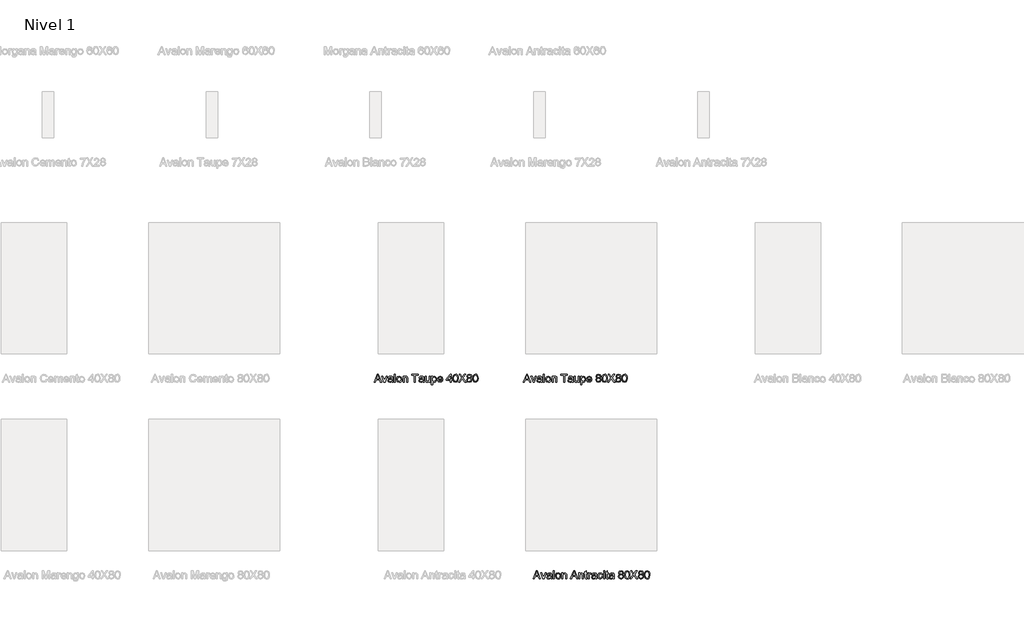
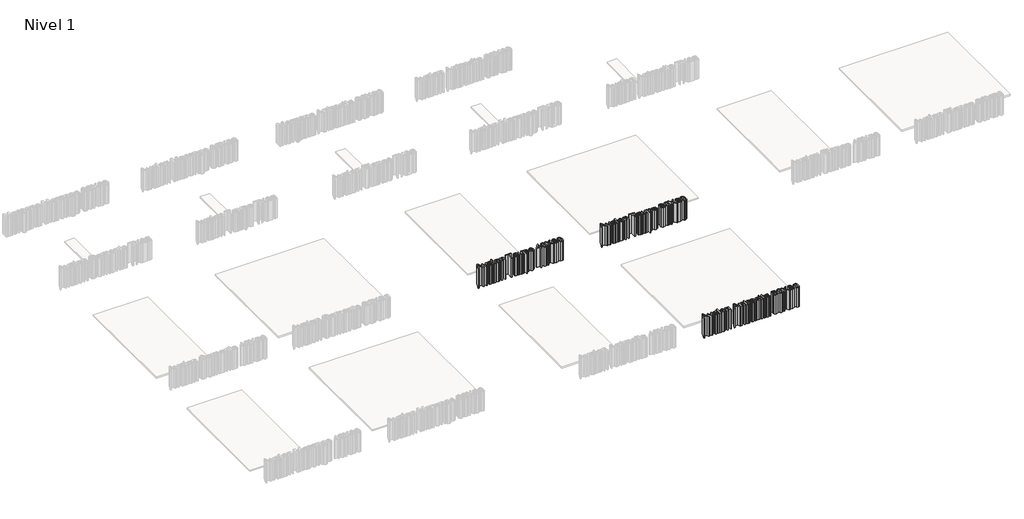
# One storey, part 3 of 11: 3 proxies.
"""IFC4 building model written with IfcOpenShell, lengths in millimetres."""

from ifc_helpers import new_model, si_unit, origin, origin_with_axes, place, context, project, spatial, polyline, outline, extrude, element, save

model = new_model("IFC4")

# Units and contexts
model_context = context("Model", 3, world=origin())
ifc_project = project(units=[si_unit("LENGTHUNIT", "METRE", prefix="MILLI")], contexts=[model_context])

# Site, building, storey
site = spatial("IfcSite", under=ifc_project)
building = spatial("IfcBuilding", under=site)
storey = spatial("IfcBuildingStorey", under=building, Name="Nivel 1", Elevation=0.0)

# Proxies
placement = place(None, origin())
element("IfcBuildingElementProxy", 1, Name="Texto de modelo 1", ObjectType="Texto de modelo 1", at=placement, inside=storey, context=model_context, shape_type="SweptSolid", body=[
    extrude(outline(polyline([(2275.8341766, -4172.9229512), (2295.4856189, -4123.692182), (2300.7260035, -4123.692182), (2320.3774458, -4172.9229512), (2313.875042, -4172.9229512), (2308.2380227, -4157.5383359), (2287.9615804, -4157.5383359), (2282.3365804, -4172.9229512), (2275.8341766, -4172.9229512)]), holes=[polyline([(2290.2211958, -4151.3844897), (2305.9904266, -4151.3844897), (2301.5553304, -4139.2811243), (2298.1058112, -4129.8460282), (2295.0409073, -4138.223432), (2290.2211958, -4151.3844897)])]), origin_with_axes(), (0.0, 0.0, 1.0), 150.0),
    extrude(outline(polyline([(2335.0529266, -4172.9229512), (2322.3365804, -4136.7691051), (2328.8510035, -4136.7691051), (2336.5553304, -4158.4277589), (2338.875042, -4165.7114128), (2341.1466766, -4158.8364128), (2348.8990804, -4136.7691051), (2355.4135035, -4136.7691051), (2342.8534073, -4172.9229512), (2335.0529266, -4172.9229512)])), origin_with_axes(), (0.0, 0.0, 1.0), 150.0),
    extrude(outline(polyline([(2383.875042, -4168.3075666), (2377.9074939, -4172.4782397), (2371.3149458, -4173.692182), (2362.3786477, -4170.7715089), (2359.2596573, -4163.3075666), (2360.437542, -4158.4397782), (2363.5324939, -4154.9061243), (2367.8413881, -4152.8868936), (2373.1659073, -4151.9614128), (2383.8389843, -4149.8460282), (2382.1803304, -4143.9325666), (2375.3774458, -4142.1537205), (2369.1514843, -4143.3376147), (2366.1827343, -4147.5383359), (2360.0288881, -4146.7691051), (2362.6911477, -4140.7594897), (2368.0517246, -4137.2378551), (2376.170715, -4135.9998743), (2383.6286477, -4137.0936243), (2387.8413881, -4139.8400186), (2389.7284073, -4144.0167012), (2390.0288881, -4149.4013166), (2390.0288881, -4157.0575666), (2390.3413881, -4167.7486724), (2391.5673496, -4172.9229512), (2385.4135035, -4172.9229512), (2383.875042, -4168.3075666)]), holes=[polyline([(2383.875042, -4155.9998743), (2373.9471573, -4157.8868936), (2368.6526862, -4158.8844897), (2366.2548496, -4160.5070859), (2365.4135035, -4162.8748743), (2367.2464362, -4166.2042012), (2372.625042, -4167.5383359), (2378.8510035, -4166.0659801), (2382.8654266, -4162.5022782), (2383.8389843, -4157.7426628), (2383.875042, -4155.9998743)])]), origin_with_axes(), (0.0, 0.0, 1.0), 150.0),
    extrude(outline(polyline([(2398.4904266, -4172.9229512), (2398.4904266, -4123.692182), (2404.6442727, -4123.692182), (2404.6442727, -4172.9229512), (2398.4904266, -4172.9229512)])), origin_with_axes(), (0.0, 0.0, 1.0), 150.0),
    extrude(outline(polyline([(2412.3365804, -4154.8460282), (2413.6677102, -4146.1290811), (2417.6610996, -4140.0022782), (2428.5024458, -4135.9998743), (2440.1310516, -4140.8736724), (2444.6442727, -4154.3412205), (2442.6490804, -4165.2907397), (2436.8377823, -4171.4866532), (2428.5024458, -4173.692182), (2416.8017246, -4168.8364128), (2412.3365804, -4154.8460282)]), holes=[polyline([(2418.4904266, -4154.8340089), (2421.3389843, -4164.3712686), (2428.5024458, -4167.5383359), (2435.6418689, -4164.3532397), (2438.4904266, -4154.6417012), (2435.62384, -4145.3207878), (2428.5024458, -4142.1537205), (2421.3389843, -4145.3087686), (2418.4904266, -4154.8340089)])]), origin_with_axes(), (0.0, 0.0, 1.0), 150.0),
    extrude(outline(polyline([(2451.5673496, -4172.9229512), (2451.5673496, -4136.7691051), (2457.7211958, -4136.7691051), (2457.7211958, -4141.817182), (2462.4267246, -4137.4542012), (2468.8510035, -4135.9998743), (2474.6623016, -4137.1717493), (2478.6286477, -4140.2486724), (2480.4735996, -4144.7739128), (2480.7981189, -4150.723432), (2480.7981189, -4172.9229512), (2474.6442727, -4172.9229512), (2474.6442727, -4151.5527589), (2473.9351381, -4146.1080474), (2471.4291285, -4143.2294416), (2467.2043689, -4142.1537205), (2460.5276862, -4144.5695859), (2457.7211958, -4153.7402589), (2457.7211958, -4172.9229512), (2451.5673496, -4172.9229512)])), origin_with_axes(), (0.0, 0.0, 1.0), 150.0),
    extrude(outline(polyline([(2521.5673496, -4172.9229512), (2521.5673496, -4129.8460282), (2505.4135035, -4129.8460282), (2505.4135035, -4123.692182), (2543.875042, -4123.692182), (2543.875042, -4129.8460282), (2527.7211958, -4129.8460282), (2527.7211958, -4172.9229512), (2521.5673496, -4172.9229512)])), origin_with_axes(), (0.0, 0.0, 1.0), 150.0),
    extrude(outline(polyline([(2573.1058112, -4168.3075666), (2567.1382631, -4172.4782397), (2560.545715, -4173.692182), (2551.609417, -4170.7715089), (2548.4904266, -4163.3075666), (2549.6683112, -4158.4397782), (2552.7632631, -4154.9061243), (2557.0721573, -4152.8868936), (2562.3966766, -4151.9614128), (2573.0697535, -4149.8460282), (2571.4110996, -4143.9325666), (2564.608215, -4142.1537205), (2558.3822535, -4143.3376147), (2555.4135035, -4147.5383359), (2549.2596573, -4146.7691051), (2551.921917, -4140.7594897), (2557.2824939, -4137.2378551), (2565.4014843, -4135.9998743), (2572.859417, -4137.0936243), (2577.0721573, -4139.8400186), (2578.9591766, -4144.0167012), (2579.2596573, -4149.4013166), (2579.2596573, -4157.0575666), (2579.5721573, -4167.7486724), (2580.7981189, -4172.9229512), (2574.6442727, -4172.9229512), (2573.1058112, -4168.3075666)]), holes=[polyline([(2573.1058112, -4155.9998743), (2563.1779266, -4157.8868936), (2557.8834554, -4158.8844897), (2555.4856189, -4160.5070859), (2554.6442727, -4162.8748743), (2556.4772054, -4166.2042012), (2561.8558112, -4167.5383359), (2568.0817727, -4166.0659801), (2572.0961958, -4162.5022782), (2573.0697535, -4157.7426628), (2573.1058112, -4155.9998743)])]), origin_with_axes(), (0.0, 0.0, 1.0), 150.0),
    extrude(outline(polyline([(2610.7981189, -4172.9229512), (2610.7981189, -4166.7090089), (2605.9784073, -4171.9463887), (2599.6923496, -4173.692182), (2593.90509, -4172.4662205), (2589.9147054, -4169.3892974), (2588.0817727, -4164.8580474), (2587.7211958, -4159.1368936), (2587.7211958, -4136.7691051), (2593.875042, -4136.7691051), (2593.875042, -4156.2402589), (2594.2476381, -4162.5142974), (2596.6815323, -4166.1981916), (2601.2668689, -4167.5383359), (2606.40509, -4166.1681436), (2609.8005227, -4162.4361724), (2610.7981189, -4155.5792012), (2610.7981189, -4136.7691051), (2616.951965, -4136.7691051), (2616.951965, -4172.9229512), (2610.7981189, -4172.9229512)])), origin_with_axes(), (0.0, 0.0, 1.0), 150.0),
    extrude(outline(polyline([(2625.4135035, -4186.7691051), (2625.4135035, -4136.7691051), (2631.5673496, -4136.7691051), (2631.5673496, -4142.8027589), (2635.8221573, -4137.7005955), (2641.5673496, -4135.9998743), (2649.3678304, -4138.379682), (2654.4639843, -4145.0864128), (2656.1827343, -4154.5695859), (2654.2416285, -4164.5395378), (2648.6046093, -4171.3304032), (2640.8221573, -4173.692182), (2635.46759, -4172.1116532), (2631.5673496, -4168.1152589), (2631.5673496, -4186.7691051), (2625.4135035, -4186.7691051)]), holes=[polyline([(2631.5673496, -4155.1344897), (2634.2296093, -4164.5094897), (2640.6899458, -4167.5383359), (2647.2824939, -4164.4013166), (2650.0288881, -4154.6777589), (2647.3485996, -4145.2787205), (2640.9423496, -4142.1537205), (2634.4098977, -4145.4770378), (2631.5673496, -4155.1344897)])]), origin_with_axes(), (0.0, 0.0, 1.0), 150.0),
    extrude(outline(polyline([(2688.4183112, -4162.1537205), (2694.451965, -4162.9229512), (2688.8089362, -4170.8676628), (2678.2981189, -4173.692182), (2665.5216766, -4168.8183839), (2660.7981189, -4155.1465089), (2665.5697535, -4141.0239128), (2677.9495612, -4135.9998743), (2689.9748016, -4141.0118936), (2694.6442727, -4155.1104512), (2694.608215, -4156.7691051), (2666.951965, -4156.7691051), (2670.4916285, -4164.7618936), (2678.4183112, -4167.5383359), (2684.451965, -4166.2522782), (2688.4183112, -4162.1537205)]), holes=[polyline([(2666.951965, -4150.6152589), (2688.4904266, -4150.6152589), (2686.0264843, -4145.0383359), (2677.9255227, -4142.1537205), (2670.3473977, -4144.4554032), (2666.951965, -4150.6152589)])]), origin_with_axes(), (0.0, 0.0, 1.0), 150.0),
    extrude(outline(polyline([(2738.4904266, -4172.9229512), (2738.4904266, -4161.3844897), (2716.1827343, -4161.3844897), (2716.1827343, -4155.2306436), (2740.0288881, -4124.4614128), (2744.6442727, -4124.4614128), (2744.6442727, -4155.2306436), (2750.7981189, -4155.2306436), (2750.7981189, -4161.3844897), (2744.6442727, -4161.3844897), (2744.6442727, -4172.9229512), (2738.4904266, -4172.9229512)]), holes=[polyline([(2738.4904266, -4155.2306436), (2738.4904266, -4136.2162205), (2723.7548496, -4155.2306436), (2738.4904266, -4155.2306436)])]), origin_with_axes(), (0.0, 0.0, 1.0), 150.0),
    extrude(outline(polyline([(2756.1827343, -4148.7042012), (2757.9916285, -4134.5395378), (2763.3642246, -4126.3724705), (2772.3365804, -4123.692182), (2779.5240804, -4125.2787205), (2784.4880227, -4129.8520378), (2787.3726381, -4137.1356916), (2788.4904266, -4148.7042012), (2786.6995612, -4162.8087686), (2781.3449939, -4170.9938647), (2772.3365804, -4173.692182), (2761.0865804, -4169.004682), (2757.4086958, -4160.6783599), (2756.1827343, -4148.7042012)]), holes=[polyline([(2762.3365804, -4148.692182), (2765.2211958, -4163.9746339), (2772.3365804, -4167.5383359), (2779.451965, -4163.9626147), (2782.3365804, -4148.692182), (2779.5481189, -4133.5840089), (2772.264465, -4129.8460282), (2765.3173496, -4133.1392974), (2762.3365804, -4148.692182)])]), origin_with_axes(), (0.0, 0.0, 1.0), 150.0),
    extrude(outline(polyline([(2790.7981189, -4172.9229512), (2809.7764843, -4146.0960282), (2793.875042, -4123.692182), (2801.2548496, -4123.692182), (2810.2091766, -4136.3003551), (2813.2260035, -4141.2162205), (2816.7596573, -4136.2162205), (2825.6178304, -4123.692182), (2833.1058112, -4123.692182), (2817.2043689, -4146.1681436), (2836.1827343, -4172.9229512), (2828.8029266, -4172.9229512), (2816.1586958, -4155.0864128), (2813.5264843, -4151.3844897), (2810.6298496, -4155.4469897), (2798.2860996, -4172.9229512), (2790.7981189, -4172.9229512)])), origin_with_axes(), (0.0, 0.0, 1.0), 150.0),
    extrude(outline(polyline([(2848.9952343, -4145.8075666), (2843.3882631, -4141.9854512), (2841.5673496, -4136.035932), (2845.5336958, -4127.2498743), (2856.0985996, -4123.692182), (2866.7596573, -4127.3340089), (2870.7981189, -4136.2042012), (2869.0012439, -4142.0034801), (2863.5505227, -4145.8075666), (2870.0949939, -4150.6332878), (2872.3365804, -4158.5960282), (2867.889465, -4169.3412205), (2856.1827343, -4173.692182), (2844.4760035, -4169.3231916), (2840.0288881, -4158.4277589), (2842.3606189, -4150.2787205), (2848.9952343, -4145.8075666)]), holes=[polyline([(2847.7211958, -4136.2162205), (2849.9026862, -4141.0479512), (2856.2548496, -4142.9229512), (2862.4808112, -4141.0599705), (2864.6442727, -4136.4926628), (2862.4086958, -4131.7630955), (2856.1827343, -4129.8460282), (2849.9387439, -4131.7210282), (2847.7211958, -4136.2162205)]), polyline([(2846.1827343, -4158.2114128), (2847.2103785, -4162.8448262), (2850.8461958, -4166.3123743), (2856.2308112, -4167.5383359), (2863.562542, -4164.9602109), (2866.1827343, -4158.4037205), (2863.4784073, -4151.7210282), (2856.0264843, -4149.0767974), (2848.7848977, -4151.6849705), (2846.1827343, -4158.2114128)])]), origin_with_axes(), (0.0, 0.0, 1.0), 150.0),
    extrude(outline(polyline([(2877.7211958, -4148.7042012), (2879.53009, -4134.5395378), (2884.9026862, -4126.3724705), (2893.875042, -4123.692182), (2901.062542, -4125.2787205), (2906.0264843, -4129.8520378), (2908.9110996, -4137.1356916), (2910.0288881, -4148.7042012), (2908.2380227, -4162.8087686), (2902.8834554, -4170.9938647), (2893.875042, -4173.692182), (2882.625042, -4169.004682), (2878.9471573, -4160.6783599), (2877.7211958, -4148.7042012)]), holes=[polyline([(2883.875042, -4148.692182), (2886.7596573, -4163.9746339), (2893.875042, -4167.5383359), (2900.9904266, -4163.9626147), (2903.875042, -4148.692182), (2901.0865804, -4133.5840089), (2893.8029266, -4129.8460282), (2886.8558112, -4133.1392974), (2883.875042, -4148.692182)])]), origin_with_axes(), (0.0, 0.0, 1.0), 150.0),
])
element("IfcBuildingElementProxy", 2, Name="Texto de modelo 1", ObjectType="Texto de modelo 1", at=placement, inside=storey, context=model_context, shape_type="SweptSolid", body=[
    extrude(outline(polyline([(3185.8341766, -4172.9229512), (3205.4856189, -4123.692182), (3210.7260035, -4123.692182), (3230.3774458, -4172.9229512), (3223.875042, -4172.9229512), (3218.2380227, -4157.5383359), (3197.9615804, -4157.5383359), (3192.3365804, -4172.9229512), (3185.8341766, -4172.9229512)]), holes=[polyline([(3200.2211958, -4151.3844897), (3215.9904266, -4151.3844897), (3211.5553304, -4139.2811243), (3208.1058112, -4129.8460282), (3205.0409073, -4138.223432), (3200.2211958, -4151.3844897)])]), origin_with_axes(), (0.0, 0.0, 1.0), 150.0),
    extrude(outline(polyline([(3245.0529266, -4172.9229512), (3232.3365804, -4136.7691051), (3238.8510035, -4136.7691051), (3246.5553304, -4158.4277589), (3248.875042, -4165.7114128), (3251.1466766, -4158.8364128), (3258.8990804, -4136.7691051), (3265.4135035, -4136.7691051), (3252.8534073, -4172.9229512), (3245.0529266, -4172.9229512)])), origin_with_axes(), (0.0, 0.0, 1.0), 150.0),
    extrude(outline(polyline([(3293.875042, -4168.3075666), (3287.9074939, -4172.4782397), (3281.3149458, -4173.692182), (3272.3786477, -4170.7715089), (3269.2596573, -4163.3075666), (3270.437542, -4158.4397782), (3273.5324939, -4154.9061243), (3277.8413881, -4152.8868936), (3283.1659073, -4151.9614128), (3293.8389843, -4149.8460282), (3292.1803304, -4143.9325666), (3285.3774458, -4142.1537205), (3279.1514843, -4143.3376147), (3276.1827343, -4147.5383359), (3270.0288881, -4146.7691051), (3272.6911477, -4140.7594897), (3278.0517246, -4137.2378551), (3286.170715, -4135.9998743), (3293.6286477, -4137.0936243), (3297.8413881, -4139.8400186), (3299.7284073, -4144.0167012), (3300.0288881, -4149.4013166), (3300.0288881, -4157.0575666), (3300.3413881, -4167.7486724), (3301.5673496, -4172.9229512), (3295.4135035, -4172.9229512), (3293.875042, -4168.3075666)]), holes=[polyline([(3293.875042, -4155.9998743), (3283.9471573, -4157.8868936), (3278.6526862, -4158.8844897), (3276.2548496, -4160.5070859), (3275.4135035, -4162.8748743), (3277.2464362, -4166.2042012), (3282.625042, -4167.5383359), (3288.8510035, -4166.0659801), (3292.8654266, -4162.5022782), (3293.8389843, -4157.7426628), (3293.875042, -4155.9998743)])]), origin_with_axes(), (0.0, 0.0, 1.0), 150.0),
    extrude(outline(polyline([(3308.4904266, -4172.9229512), (3308.4904266, -4123.692182), (3314.6442727, -4123.692182), (3314.6442727, -4172.9229512), (3308.4904266, -4172.9229512)])), origin_with_axes(), (0.0, 0.0, 1.0), 150.0),
    extrude(outline(polyline([(3322.3365804, -4154.8460282), (3323.6677102, -4146.1290811), (3327.6610996, -4140.0022782), (3338.5024458, -4135.9998743), (3350.1310516, -4140.8736724), (3354.6442727, -4154.3412205), (3352.6490804, -4165.2907397), (3346.8377823, -4171.4866532), (3338.5024458, -4173.692182), (3326.8017246, -4168.8364128), (3322.3365804, -4154.8460282)]), holes=[polyline([(3328.4904266, -4154.8340089), (3331.3389843, -4164.3712686), (3338.5024458, -4167.5383359), (3345.6418689, -4164.3532397), (3348.4904266, -4154.6417012), (3345.62384, -4145.3207878), (3338.5024458, -4142.1537205), (3331.3389843, -4145.3087686), (3328.4904266, -4154.8340089)])]), origin_with_axes(), (0.0, 0.0, 1.0), 150.0),
    extrude(outline(polyline([(3361.5673496, -4172.9229512), (3361.5673496, -4136.7691051), (3367.7211958, -4136.7691051), (3367.7211958, -4141.817182), (3372.4267246, -4137.4542012), (3378.8510035, -4135.9998743), (3384.6623016, -4137.1717493), (3388.6286477, -4140.2486724), (3390.4735996, -4144.7739128), (3390.7981189, -4150.723432), (3390.7981189, -4172.9229512), (3384.6442727, -4172.9229512), (3384.6442727, -4151.5527589), (3383.9351381, -4146.1080474), (3381.4291285, -4143.2294416), (3377.2043689, -4142.1537205), (3370.5276862, -4144.5695859), (3367.7211958, -4153.7402589), (3367.7211958, -4172.9229512), (3361.5673496, -4172.9229512)])), origin_with_axes(), (0.0, 0.0, 1.0), 150.0),
    extrude(outline(polyline([(3431.5673496, -4172.9229512), (3431.5673496, -4129.8460282), (3415.4135035, -4129.8460282), (3415.4135035, -4123.692182), (3453.875042, -4123.692182), (3453.875042, -4129.8460282), (3437.7211958, -4129.8460282), (3437.7211958, -4172.9229512), (3431.5673496, -4172.9229512)])), origin_with_axes(), (0.0, 0.0, 1.0), 150.0),
    extrude(outline(polyline([(3483.1058112, -4168.3075666), (3477.1382631, -4172.4782397), (3470.545715, -4173.692182), (3461.609417, -4170.7715089), (3458.4904266, -4163.3075666), (3459.6683112, -4158.4397782), (3462.7632631, -4154.9061243), (3467.0721573, -4152.8868936), (3472.3966766, -4151.9614128), (3483.0697535, -4149.8460282), (3481.4110996, -4143.9325666), (3474.608215, -4142.1537205), (3468.3822535, -4143.3376147), (3465.4135035, -4147.5383359), (3459.2596573, -4146.7691051), (3461.921917, -4140.7594897), (3467.2824939, -4137.2378551), (3475.4014843, -4135.9998743), (3482.859417, -4137.0936243), (3487.0721573, -4139.8400186), (3488.9591766, -4144.0167012), (3489.2596573, -4149.4013166), (3489.2596573, -4157.0575666), (3489.5721573, -4167.7486724), (3490.7981189, -4172.9229512), (3484.6442727, -4172.9229512), (3483.1058112, -4168.3075666)]), holes=[polyline([(3483.1058112, -4155.9998743), (3473.1779266, -4157.8868936), (3467.8834554, -4158.8844897), (3465.4856189, -4160.5070859), (3464.6442727, -4162.8748743), (3466.4772054, -4166.2042012), (3471.8558112, -4167.5383359), (3478.0817727, -4166.0659801), (3482.0961958, -4162.5022782), (3483.0697535, -4157.7426628), (3483.1058112, -4155.9998743)])]), origin_with_axes(), (0.0, 0.0, 1.0), 150.0),
    extrude(outline(polyline([(3520.7981189, -4172.9229512), (3520.7981189, -4166.7090089), (3515.9784073, -4171.9463887), (3509.6923496, -4173.692182), (3503.90509, -4172.4662205), (3499.9147054, -4169.3892974), (3498.0817727, -4164.8580474), (3497.7211958, -4159.1368936), (3497.7211958, -4136.7691051), (3503.875042, -4136.7691051), (3503.875042, -4156.2402589), (3504.2476381, -4162.5142974), (3506.6815323, -4166.1981916), (3511.2668689, -4167.5383359), (3516.40509, -4166.1681436), (3519.8005227, -4162.4361724), (3520.7981189, -4155.5792012), (3520.7981189, -4136.7691051), (3526.951965, -4136.7691051), (3526.951965, -4172.9229512), (3520.7981189, -4172.9229512)])), origin_with_axes(), (0.0, 0.0, 1.0), 150.0),
    extrude(outline(polyline([(3535.4135035, -4186.7691051), (3535.4135035, -4136.7691051), (3541.5673496, -4136.7691051), (3541.5673496, -4142.8027589), (3545.8221573, -4137.7005955), (3551.5673496, -4135.9998743), (3559.3678304, -4138.379682), (3564.4639843, -4145.0864128), (3566.1827343, -4154.5695859), (3564.2416285, -4164.5395378), (3558.6046093, -4171.3304032), (3550.8221573, -4173.692182), (3545.46759, -4172.1116532), (3541.5673496, -4168.1152589), (3541.5673496, -4186.7691051), (3535.4135035, -4186.7691051)]), holes=[polyline([(3541.5673496, -4155.1344897), (3544.2296093, -4164.5094897), (3550.6899458, -4167.5383359), (3557.2824939, -4164.4013166), (3560.0288881, -4154.6777589), (3557.3485996, -4145.2787205), (3550.9423496, -4142.1537205), (3544.4098977, -4145.4770378), (3541.5673496, -4155.1344897)])]), origin_with_axes(), (0.0, 0.0, 1.0), 150.0),
    extrude(outline(polyline([(3598.4183112, -4162.1537205), (3604.451965, -4162.9229512), (3598.8089362, -4170.8676628), (3588.2981189, -4173.692182), (3575.5216766, -4168.8183839), (3570.7981189, -4155.1465089), (3575.5697535, -4141.0239128), (3587.9495612, -4135.9998743), (3599.9748016, -4141.0118936), (3604.6442727, -4155.1104512), (3604.608215, -4156.7691051), (3576.951965, -4156.7691051), (3580.4916285, -4164.7618936), (3588.4183112, -4167.5383359), (3594.451965, -4166.2522782), (3598.4183112, -4162.1537205)]), holes=[polyline([(3576.951965, -4150.6152589), (3598.4904266, -4150.6152589), (3596.0264843, -4145.0383359), (3587.9255227, -4142.1537205), (3580.3473977, -4144.4554032), (3576.951965, -4150.6152589)])]), origin_with_axes(), (0.0, 0.0, 1.0), 150.0),
    extrude(outline(polyline([(3637.4567727, -4145.8075666), (3631.8498016, -4141.9854512), (3630.0288881, -4136.035932), (3633.9952343, -4127.2498743), (3644.5601381, -4123.692182), (3655.2211958, -4127.3340089), (3659.2596573, -4136.2042012), (3657.4627823, -4142.0034801), (3652.0120612, -4145.8075666), (3658.5565323, -4150.6332878), (3660.7981189, -4158.5960282), (3656.3510035, -4169.3412205), (3644.6442727, -4173.692182), (3632.937542, -4169.3231916), (3628.4904266, -4158.4277589), (3630.8221573, -4150.2787205), (3637.4567727, -4145.8075666)]), holes=[polyline([(3636.1827343, -4136.2162205), (3638.3642246, -4141.0479512), (3644.7163881, -4142.9229512), (3650.9423496, -4141.0599705), (3653.1058112, -4136.4926628), (3650.8702343, -4131.7630955), (3644.6442727, -4129.8460282), (3638.4002823, -4131.7210282), (3636.1827343, -4136.2162205)]), polyline([(3634.6442727, -4158.2114128), (3635.671917, -4162.8448262), (3639.3077343, -4166.3123743), (3644.6923496, -4167.5383359), (3652.0240804, -4164.9602109), (3654.6442727, -4158.4037205), (3651.9399458, -4151.7210282), (3644.4880227, -4149.0767974), (3637.2464362, -4151.6849705), (3634.6442727, -4158.2114128)])]), origin_with_axes(), (0.0, 0.0, 1.0), 150.0),
    extrude(outline(polyline([(3666.1827343, -4148.7042012), (3667.9916285, -4134.5395378), (3673.3642246, -4126.3724705), (3682.3365804, -4123.692182), (3689.5240804, -4125.2787205), (3694.4880227, -4129.8520378), (3697.3726381, -4137.1356916), (3698.4904266, -4148.7042012), (3696.6995612, -4162.8087686), (3691.3449939, -4170.9938647), (3682.3365804, -4173.692182), (3671.0865804, -4169.004682), (3667.4086958, -4160.6783599), (3666.1827343, -4148.7042012)]), holes=[polyline([(3672.3365804, -4148.692182), (3675.2211958, -4163.9746339), (3682.3365804, -4167.5383359), (3689.451965, -4163.9626147), (3692.3365804, -4148.692182), (3689.5481189, -4133.5840089), (3682.264465, -4129.8460282), (3675.3173496, -4133.1392974), (3672.3365804, -4148.692182)])]), origin_with_axes(), (0.0, 0.0, 1.0), 150.0),
    extrude(outline(polyline([(3700.7981189, -4172.9229512), (3719.7764843, -4146.0960282), (3703.875042, -4123.692182), (3711.2548496, -4123.692182), (3720.2091766, -4136.3003551), (3723.2260035, -4141.2162205), (3726.7596573, -4136.2162205), (3735.6178304, -4123.692182), (3743.1058112, -4123.692182), (3727.2043689, -4146.1681436), (3746.1827343, -4172.9229512), (3738.8029266, -4172.9229512), (3726.1586958, -4155.0864128), (3723.5264843, -4151.3844897), (3720.6298496, -4155.4469897), (3708.2860996, -4172.9229512), (3700.7981189, -4172.9229512)])), origin_with_axes(), (0.0, 0.0, 1.0), 150.0),
    extrude(outline(polyline([(3758.9952343, -4145.8075666), (3753.3882631, -4141.9854512), (3751.5673496, -4136.035932), (3755.5336958, -4127.2498743), (3766.0985996, -4123.692182), (3776.7596573, -4127.3340089), (3780.7981189, -4136.2042012), (3779.0012439, -4142.0034801), (3773.5505227, -4145.8075666), (3780.0949939, -4150.6332878), (3782.3365804, -4158.5960282), (3777.889465, -4169.3412205), (3766.1827343, -4173.692182), (3754.4760035, -4169.3231916), (3750.0288881, -4158.4277589), (3752.3606189, -4150.2787205), (3758.9952343, -4145.8075666)]), holes=[polyline([(3756.1827343, -4158.2114128), (3757.2103785, -4162.8448262), (3760.8461958, -4166.3123743), (3766.2308112, -4167.5383359), (3773.562542, -4164.9602109), (3776.1827343, -4158.4037205), (3773.4784073, -4151.7210282), (3766.0264843, -4149.0767974), (3758.7848977, -4151.6849705), (3756.1827343, -4158.2114128)]), polyline([(3757.7211958, -4136.2162205), (3759.9026862, -4141.0479512), (3766.2548496, -4142.9229512), (3772.4808112, -4141.0599705), (3774.6442727, -4136.4926628), (3772.4086958, -4131.7630955), (3766.1827343, -4129.8460282), (3759.9387439, -4131.7210282), (3757.7211958, -4136.2162205)])]), origin_with_axes(), (0.0, 0.0, 1.0), 150.0),
    extrude(outline(polyline([(3787.7211958, -4148.7042012), (3789.53009, -4134.5395378), (3794.9026862, -4126.3724705), (3803.875042, -4123.692182), (3811.062542, -4125.2787205), (3816.0264843, -4129.8520378), (3818.9110996, -4137.1356916), (3820.0288881, -4148.7042012), (3818.2380227, -4162.8087686), (3812.8834554, -4170.9938647), (3803.875042, -4173.692182), (3792.625042, -4169.004682), (3788.9471573, -4160.6783599), (3787.7211958, -4148.7042012)]), holes=[polyline([(3793.875042, -4148.692182), (3796.7596573, -4163.9746339), (3803.875042, -4167.5383359), (3810.9904266, -4163.9626147), (3813.875042, -4148.692182), (3811.0865804, -4133.5840089), (3803.8029266, -4129.8460282), (3796.8558112, -4133.1392974), (3793.875042, -4148.692182)])]), origin_with_axes(), (0.0, 0.0, 1.0), 150.0),
])
element("IfcBuildingElementProxy", 3, Name="Texto de modelo 1", ObjectType="Texto de modelo 1", at=placement, inside=storey, context=model_context, shape_type="SweptSolid", body=[
    extrude(outline(polyline([(3245.8341766, -5372.9229512), (3265.4856189, -5323.692182), (3270.7260035, -5323.692182), (3290.3774458, -5372.9229512), (3283.875042, -5372.9229512), (3278.2380227, -5357.5383359), (3257.9615804, -5357.5383359), (3252.3365804, -5372.9229512), (3245.8341766, -5372.9229512)]), holes=[polyline([(3260.2211958, -5351.3844897), (3275.9904266, -5351.3844897), (3271.5553304, -5339.2811243), (3268.1058112, -5329.8460282), (3265.0409073, -5338.223432), (3260.2211958, -5351.3844897)])]), origin_with_axes(), (0.0, 0.0, 1.0), 150.0),
    extrude(outline(polyline([(3305.0529266, -5372.9229512), (3292.3365804, -5336.7691051), (3298.8510035, -5336.7691051), (3306.5553304, -5358.4277589), (3308.875042, -5365.7114128), (3311.1466766, -5358.8364128), (3318.8990804, -5336.7691051), (3325.4135035, -5336.7691051), (3312.8534073, -5372.9229512), (3305.0529266, -5372.9229512)])), origin_with_axes(), (0.0, 0.0, 1.0), 150.0),
    extrude(outline(polyline([(3353.875042, -5368.3075666), (3347.9074939, -5372.4782397), (3341.3149458, -5373.692182), (3332.3786477, -5370.7715089), (3329.2596573, -5363.3075666), (3330.437542, -5358.4397782), (3333.5324939, -5354.9061243), (3337.8413881, -5352.8868936), (3343.1659073, -5351.9614128), (3353.8389843, -5349.8460282), (3352.1803304, -5343.9325666), (3345.3774458, -5342.1537205), (3339.1514843, -5343.3376147), (3336.1827343, -5347.5383359), (3330.0288881, -5346.7691051), (3332.6911477, -5340.7594897), (3338.0517246, -5337.2378551), (3346.170715, -5335.9998743), (3353.6286477, -5337.0936243), (3357.8413881, -5339.8400186), (3359.7284073, -5344.0167012), (3360.0288881, -5349.4013166), (3360.0288881, -5357.0575666), (3360.3413881, -5367.7486724), (3361.5673496, -5372.9229512), (3355.4135035, -5372.9229512), (3353.875042, -5368.3075666)]), holes=[polyline([(3353.875042, -5355.9998743), (3343.9471573, -5357.8868936), (3338.6526862, -5358.8844897), (3336.2548496, -5360.5070859), (3335.4135035, -5362.8748743), (3337.2464362, -5366.2042012), (3342.625042, -5367.5383359), (3348.8510035, -5366.0659801), (3352.8654266, -5362.5022782), (3353.8389843, -5357.7426628), (3353.875042, -5355.9998743)])]), origin_with_axes(), (0.0, 0.0, 1.0), 150.0),
    extrude(outline(polyline([(3368.4904266, -5372.9229512), (3368.4904266, -5323.692182), (3374.6442727, -5323.692182), (3374.6442727, -5372.9229512), (3368.4904266, -5372.9229512)])), origin_with_axes(), (0.0, 0.0, 1.0), 150.0),
    extrude(outline(polyline([(3382.3365804, -5354.8460282), (3383.6677102, -5346.1290811), (3387.6610996, -5340.0022782), (3398.5024458, -5335.9998743), (3410.1310516, -5340.8736724), (3414.6442727, -5354.3412205), (3412.6490804, -5365.2907397), (3406.8377823, -5371.4866532), (3398.5024458, -5373.692182), (3386.8017246, -5368.8364128), (3382.3365804, -5354.8460282)]), holes=[polyline([(3388.4904266, -5354.8340089), (3391.3389843, -5364.3712686), (3398.5024458, -5367.5383359), (3405.6418689, -5364.3532397), (3408.4904266, -5354.6417012), (3405.62384, -5345.3207878), (3398.5024458, -5342.1537205), (3391.3389843, -5345.3087686), (3388.4904266, -5354.8340089)])]), origin_with_axes(), (0.0, 0.0, 1.0), 150.0),
    extrude(outline(polyline([(3421.5673496, -5372.9229512), (3421.5673496, -5336.7691051), (3427.7211958, -5336.7691051), (3427.7211958, -5341.817182), (3432.4267246, -5337.4542012), (3438.8510035, -5335.9998743), (3444.6623016, -5337.1717493), (3448.6286477, -5340.2486724), (3450.4735996, -5344.7739128), (3450.7981189, -5350.723432), (3450.7981189, -5372.9229512), (3444.6442727, -5372.9229512), (3444.6442727, -5351.5527589), (3443.9351381, -5346.1080474), (3441.4291285, -5343.2294416), (3437.2043689, -5342.1537205), (3430.5276862, -5344.5695859), (3427.7211958, -5353.7402589), (3427.7211958, -5372.9229512), (3421.5673496, -5372.9229512)])), origin_with_axes(), (0.0, 0.0, 1.0), 150.0),
    extrude(outline(polyline([(3473.5264843, -5372.9229512), (3493.1779266, -5323.692182), (3498.4183112, -5323.692182), (3518.0697535, -5372.9229512), (3511.5673496, -5372.9229512), (3505.9303304, -5357.5383359), (3485.6538881, -5357.5383359), (3480.0288881, -5372.9229512), (3473.5264843, -5372.9229512)]), holes=[polyline([(3487.9135035, -5351.3844897), (3503.6827343, -5351.3844897), (3499.2476381, -5339.2811243), (3495.7981189, -5329.8460282), (3492.733215, -5338.223432), (3487.9135035, -5351.3844897)])]), origin_with_axes(), (0.0, 0.0, 1.0), 150.0),
    extrude(outline(polyline([(3523.875042, -5372.9229512), (3523.875042, -5336.7691051), (3530.0288881, -5336.7691051), (3530.0288881, -5341.817182), (3534.734417, -5337.4542012), (3541.1586958, -5335.9998743), (3546.9699939, -5337.1717493), (3550.93634, -5340.2486724), (3552.781292, -5344.7739128), (3553.1058112, -5350.723432), (3553.1058112, -5372.9229512), (3546.951965, -5372.9229512), (3546.951965, -5351.5527589), (3546.2428304, -5346.1080474), (3543.7368208, -5343.2294416), (3539.5120612, -5342.1537205), (3532.8353785, -5344.5695859), (3530.0288881, -5353.7402589), (3530.0288881, -5372.9229512), (3523.875042, -5372.9229512)])), origin_with_axes(), (0.0, 0.0, 1.0), 150.0),
    extrude(outline(polyline([(3574.6442727, -5367.7907397), (3575.4135035, -5373.1032397), (3570.8101381, -5373.692182), (3565.6538881, -5372.6705474), (3563.0817727, -5369.9902589), (3562.3365804, -5363.0070859), (3562.3365804, -5342.9229512), (3557.7211958, -5342.9229512), (3557.7211958, -5336.7691051), (3562.3365804, -5336.7691051), (3562.3365804, -5327.9830474), (3568.4904266, -5324.3652589), (3568.4904266, -5336.7691051), (3574.6442727, -5336.7691051), (3574.6442727, -5342.9229512), (3568.4904266, -5342.9229512), (3568.4904266, -5362.8267974), (3568.8149458, -5365.9998743), (3571.9639843, -5367.5383359), (3574.6442727, -5367.7907397)])), origin_with_axes(), (0.0, 0.0, 1.0), 150.0),
    extrude(outline(polyline([(3580.7981189, -5372.9229512), (3580.7981189, -5336.7691051), (3586.1827343, -5336.7691051), (3586.1827343, -5342.1176628), (3590.0048496, -5337.1897782), (3593.8510035, -5335.9998743), (3600.0288881, -5337.8989128), (3597.9735996, -5343.4157397), (3593.6466766, -5342.1537205), (3590.1671093, -5343.3676628), (3587.9495612, -5346.7330474), (3586.951965, -5353.9205474), (3586.951965, -5372.9229512), (3580.7981189, -5372.9229512)])), origin_with_axes(), (0.0, 0.0, 1.0), 150.0),
    extrude(outline(polyline([(3626.951965, -5368.3075666), (3620.984417, -5372.4782397), (3614.3918689, -5373.692182), (3605.4555708, -5370.7715089), (3602.3365804, -5363.3075666), (3603.514465, -5358.4397782), (3606.609417, -5354.9061243), (3610.9183112, -5352.8868936), (3616.2428304, -5351.9614128), (3626.9159073, -5349.8460282), (3625.2572535, -5343.9325666), (3618.4543689, -5342.1537205), (3612.2284073, -5343.3376147), (3609.2596573, -5347.5383359), (3603.1058112, -5346.7691051), (3605.7680708, -5340.7594897), (3611.1286477, -5337.2378551), (3619.2476381, -5335.9998743), (3626.7055708, -5337.0936243), (3630.9183112, -5339.8400186), (3632.8053304, -5344.0167012), (3633.1058112, -5349.4013166), (3633.1058112, -5357.0575666), (3633.4183112, -5367.7486724), (3634.6442727, -5372.9229512), (3628.4904266, -5372.9229512), (3626.951965, -5368.3075666)]), holes=[polyline([(3626.951965, -5355.9998743), (3617.0240804, -5357.8868936), (3611.7296093, -5358.8844897), (3609.3317727, -5360.5070859), (3608.4904266, -5362.8748743), (3610.3233593, -5366.2042012), (3615.701965, -5367.5383359), (3621.9279266, -5366.0659801), (3625.9423496, -5362.5022782), (3626.9159073, -5357.7426628), (3626.951965, -5355.9998743)])]), origin_with_axes(), (0.0, 0.0, 1.0), 150.0),
    extrude(outline(polyline([(3664.6442727, -5359.8460282), (3670.7981189, -5360.6152589), (3665.858215, -5370.2246339), (3656.0985996, -5373.692182), (3644.4339362, -5368.8544416), (3640.0288881, -5354.9782397), (3641.9098977, -5344.7558839), (3647.6430708, -5338.1873743), (3656.014465, -5335.9998743), (3665.3714362, -5339.004682), (3670.0288881, -5347.5383359), (3663.875042, -5348.3075666), (3661.0204746, -5343.6981916), (3656.062542, -5342.1537205), (3648.9291285, -5345.1945859), (3646.1827343, -5354.8099705), (3648.8690323, -5364.5154993), (3655.8942727, -5367.5383359), (3661.6935516, -5365.6513166), (3664.6442727, -5359.8460282)])), origin_with_axes(), (0.0, 0.0, 1.0), 150.0),
    extrude(outline(polyline([(3676.1827343, -5372.9229512), (3676.1827343, -5336.7691051), (3682.3365804, -5336.7691051), (3682.3365804, -5372.9229512), (3676.1827343, -5372.9229512)])), origin_with_axes(), (0.0, 0.0, 1.0), 150.0),
    extrude(outline(polyline([(3676.1827343, -5329.8460282), (3676.1827343, -5323.692182), (3682.3365804, -5323.692182), (3682.3365804, -5329.8460282), (3676.1827343, -5329.8460282)])), origin_with_axes(), (0.0, 0.0, 1.0), 150.0),
    extrude(outline(polyline([(3704.6442727, -5367.7907397), (3705.4135035, -5373.1032397), (3700.8101381, -5373.692182), (3695.6538881, -5372.6705474), (3693.0817727, -5369.9902589), (3692.3365804, -5363.0070859), (3692.3365804, -5342.9229512), (3687.7211958, -5342.9229512), (3687.7211958, -5336.7691051), (3692.3365804, -5336.7691051), (3692.3365804, -5327.9830474), (3698.4904266, -5324.3652589), (3698.4904266, -5336.7691051), (3704.6442727, -5336.7691051), (3704.6442727, -5342.9229512), (3698.4904266, -5342.9229512), (3698.4904266, -5362.8267974), (3698.8149458, -5365.9998743), (3701.9639843, -5367.5383359), (3704.6442727, -5367.7907397)])), origin_with_axes(), (0.0, 0.0, 1.0), 150.0),
    extrude(outline(polyline([(3733.875042, -5368.3075666), (3727.9074939, -5372.4782397), (3721.3149458, -5373.692182), (3712.3786477, -5370.7715089), (3709.2596573, -5363.3075666), (3710.437542, -5358.4397782), (3713.5324939, -5354.9061243), (3717.8413881, -5352.8868936), (3723.1659073, -5351.9614128), (3733.8389843, -5349.8460282), (3732.1803304, -5343.9325666), (3725.3774458, -5342.1537205), (3719.1514843, -5343.3376147), (3716.1827343, -5347.5383359), (3710.0288881, -5346.7691051), (3712.6911477, -5340.7594897), (3718.0517246, -5337.2378551), (3726.170715, -5335.9998743), (3733.6286477, -5337.0936243), (3737.8413881, -5339.8400186), (3739.7284073, -5344.0167012), (3740.0288881, -5349.4013166), (3740.0288881, -5357.0575666), (3740.3413881, -5367.7486724), (3741.5673496, -5372.9229512), (3735.4135035, -5372.9229512), (3733.875042, -5368.3075666)]), holes=[polyline([(3733.875042, -5355.9998743), (3723.9471573, -5357.8868936), (3718.6526862, -5358.8844897), (3716.2548496, -5360.5070859), (3715.4135035, -5362.8748743), (3717.2464362, -5366.2042012), (3722.625042, -5367.5383359), (3728.8510035, -5366.0659801), (3732.8654266, -5362.5022782), (3733.8389843, -5357.7426628), (3733.875042, -5355.9998743)])]), origin_with_axes(), (0.0, 0.0, 1.0), 150.0),
    extrude(outline(polyline([(3775.1490804, -5345.8075666), (3769.5421093, -5341.9854512), (3767.7211958, -5336.035932), (3771.687542, -5327.2498743), (3782.2524458, -5323.692182), (3792.9135035, -5327.3340089), (3796.951965, -5336.2042012), (3795.15509, -5342.0034801), (3789.7043689, -5345.8075666), (3796.24884, -5350.6332878), (3798.4904266, -5358.5960282), (3794.0433112, -5369.3412205), (3782.3365804, -5373.692182), (3770.6298496, -5369.3231916), (3766.1827343, -5358.4277589), (3768.514465, -5350.2787205), (3775.1490804, -5345.8075666)]), holes=[polyline([(3773.875042, -5336.2162205), (3776.0565323, -5341.0479512), (3782.4086958, -5342.9229512), (3788.6346573, -5341.0599705), (3790.7981189, -5336.4926628), (3788.562542, -5331.7630955), (3782.3365804, -5329.8460282), (3776.09259, -5331.7210282), (3773.875042, -5336.2162205)]), polyline([(3772.3365804, -5358.2114128), (3773.3642246, -5362.8448262), (3777.000042, -5366.3123743), (3782.3846573, -5367.5383359), (3789.7163881, -5364.9602109), (3792.3365804, -5358.4037205), (3789.6322535, -5351.7210282), (3782.1803304, -5349.0767974), (3774.9387439, -5351.6849705), (3772.3365804, -5358.2114128)])]), origin_with_axes(), (0.0, 0.0, 1.0), 150.0),
    extrude(outline(polyline([(3803.875042, -5348.7042012), (3805.6839362, -5334.5395378), (3811.0565323, -5326.3724705), (3820.0288881, -5323.692182), (3827.2163881, -5325.2787205), (3832.1803304, -5329.8520378), (3835.0649458, -5337.1356916), (3836.1827343, -5348.7042012), (3834.3918689, -5362.8087686), (3829.0373016, -5370.9938647), (3820.0288881, -5373.692182), (3808.7788881, -5369.004682), (3805.1010035, -5360.6783599), (3803.875042, -5348.7042012)]), holes=[polyline([(3810.0288881, -5348.692182), (3812.9135035, -5363.9746339), (3820.0288881, -5367.5383359), (3827.1442727, -5363.9626147), (3830.0288881, -5348.692182), (3827.2404266, -5333.5840089), (3819.9567727, -5329.8460282), (3813.0096573, -5333.1392974), (3810.0288881, -5348.692182)])]), origin_with_axes(), (0.0, 0.0, 1.0), 150.0),
    extrude(outline(polyline([(3838.4904266, -5372.9229512), (3857.468792, -5346.0960282), (3841.5673496, -5323.692182), (3848.9471573, -5323.692182), (3857.9014843, -5336.3003551), (3860.9183112, -5341.2162205), (3864.451965, -5336.2162205), (3873.3101381, -5323.692182), (3880.7981189, -5323.692182), (3864.8966766, -5346.1681436), (3883.875042, -5372.9229512), (3876.4952343, -5372.9229512), (3863.8510035, -5355.0864128), (3861.218792, -5351.3844897), (3858.3221573, -5355.4469897), (3845.9784073, -5372.9229512), (3838.4904266, -5372.9229512)])), origin_with_axes(), (0.0, 0.0, 1.0), 150.0),
    extrude(outline(polyline([(3896.687542, -5345.8075666), (3891.0805708, -5341.9854512), (3889.2596573, -5336.035932), (3893.2260035, -5327.2498743), (3903.7909073, -5323.692182), (3914.451965, -5327.3340089), (3918.4904266, -5336.2042012), (3916.6935516, -5342.0034801), (3911.2428304, -5345.8075666), (3917.7873016, -5350.6332878), (3920.0288881, -5358.5960282), (3915.5817727, -5369.3412205), (3903.875042, -5373.692182), (3892.1683112, -5369.3231916), (3887.7211958, -5358.4277589), (3890.0529266, -5350.2787205), (3896.687542, -5345.8075666)]), holes=[polyline([(3893.875042, -5358.2114128), (3894.9026862, -5362.8448262), (3898.5385035, -5366.3123743), (3903.9231189, -5367.5383359), (3911.2548496, -5364.9602109), (3913.875042, -5358.4037205), (3911.170715, -5351.7210282), (3903.718792, -5349.0767974), (3896.4772054, -5351.6849705), (3893.875042, -5358.2114128)]), polyline([(3895.4135035, -5336.2162205), (3897.5949939, -5341.0479512), (3903.9471573, -5342.9229512), (3910.1731189, -5341.0599705), (3912.3365804, -5336.4926628), (3910.1010035, -5331.7630955), (3903.875042, -5329.8460282), (3897.6310516, -5331.7210282), (3895.4135035, -5336.2162205)])]), origin_with_axes(), (0.0, 0.0, 1.0), 150.0),
    extrude(outline(polyline([(3925.4135035, -5348.7042012), (3927.2223977, -5334.5395378), (3932.5949939, -5326.3724705), (3941.5673496, -5323.692182), (3948.7548496, -5325.2787205), (3953.718792, -5329.8520378), (3956.6034073, -5337.1356916), (3957.7211958, -5348.7042012), (3955.9303304, -5362.8087686), (3950.5757631, -5370.9938647), (3941.5673496, -5373.692182), (3930.3173496, -5369.004682), (3926.639465, -5360.6783599), (3925.4135035, -5348.7042012)]), holes=[polyline([(3931.5673496, -5348.692182), (3934.451965, -5363.9746339), (3941.5673496, -5367.5383359), (3948.6827343, -5363.9626147), (3951.5673496, -5348.692182), (3948.7788881, -5333.5840089), (3941.4952343, -5329.8460282), (3934.5481189, -5333.1392974), (3931.5673496, -5348.692182)])]), origin_with_axes(), (0.0, 0.0, 1.0), 150.0),
])

save(model, "model.ifc")
